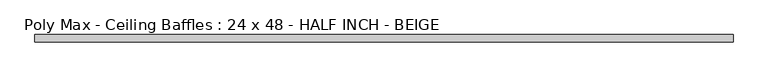
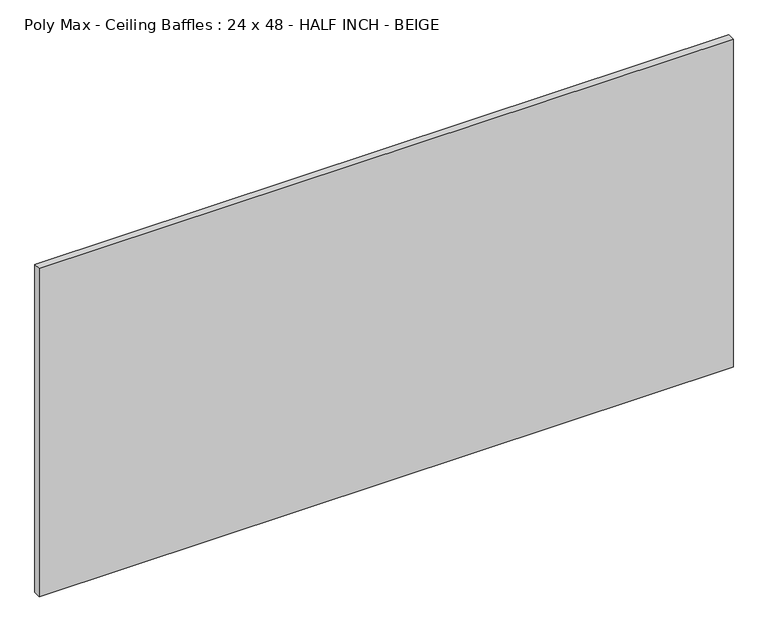
"""IFC4 building model written with IfcOpenShell, lengths in millimetres: proxy geometry, Poly Max - Ceiling Baffles : 24 x 48 - HALF INCH - BEIGE."""

from ifc_helpers import new_model, si_unit, origin, origin_with_axes, place, context, project, spatial, polyline, outline, extrude, source, transform, mapped, element, save


def poly_max_ceiling_baffles_24_x_48_half_inch_beige_90ae6429(model_context):
    return source(origin(), model_context, "Body", "SweptSolid", [
        extrude(outline(polyline([(609.6, -12.7), (-609.6, -12.7), (-609.6, 0.0), (609.6, 0.0), (609.6, -12.7)])), origin_with_axes(), (0.0, 0.0, 1.0), 609.6),
    ])


if __name__ == "__main__":
    model = new_model("IFC4")
    model_context = context("Model", 3, world=origin())
    ifc_project = project(units=[si_unit("LENGTHUNIT", "METRE", prefix="MILLI")], contexts=[model_context])
    site = spatial("IfcSite", under=ifc_project)
    building = spatial("IfcBuilding", under=site)
    placement = place(None, origin())
    poly_max_ceiling_baffles_24_x_48_half_inch_beige_shape = poly_max_ceiling_baffles_24_x_48_half_inch_beige_90ae6429(model_context)
    element("IfcBuildingElementProxy", 1, Name="Poly Max - Ceiling Baffles : 24 x 48 - HALF INCH - BEIGE", ObjectType="Poly Max - Ceiling Baffles : 24 x 48 - HALF INCH - BEIGE", at=placement, inside=building, context=model_context, shape_type="MappedRepresentation", body=[
        mapped(poly_max_ceiling_baffles_24_x_48_half_inch_beige_shape, transform((0.0, 0.0, 0.0), x_axis=(1.0, 0.0, 0.0), y_axis=(0.0, 1.0, 0.0), z_axis=(0.0, 0.0, 1.0))),
    ])
    save(model, "model.ifc")
